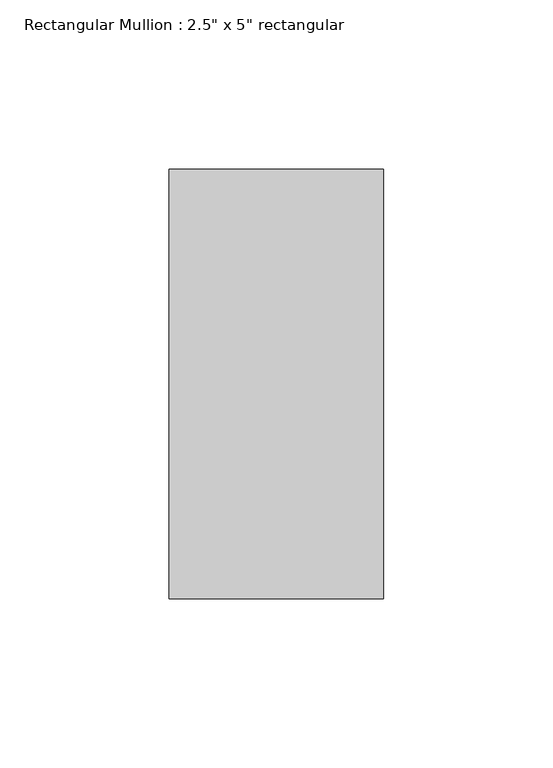
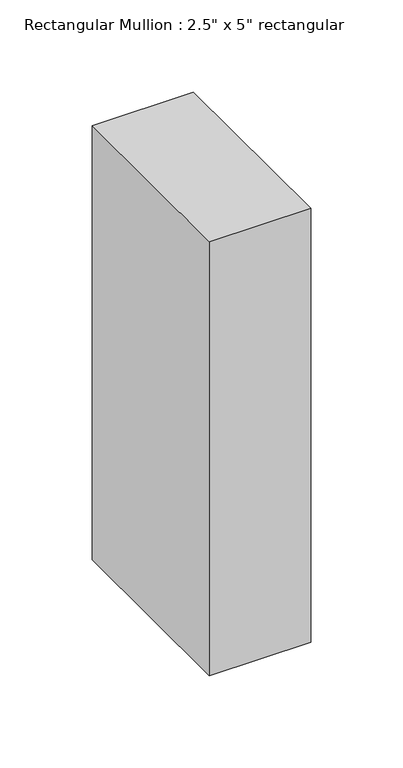
"""IFC4 building model written with IfcOpenShell, lengths in millimetres: member geometry."""

from ifc_helpers import new_model, si_unit, frame, origin, place, context, project, spatial, polyline, outline, extrude, source, transform, mapped, element, save


def member_fa3b035b(model_context):
    return source(origin(), model_context, "Body", "SweptSolid", [
        extrude(outline(polyline([(31.75, 63.5), (31.75, -63.5), (-31.75, -63.5), (-31.75, 63.5), (31.75, 63.5)])), frame((0.0, 0.0, -287.4301113), z_axis=(0.0, 0.0, 1.0), x_axis=(1.0, 0.0, 0.0)), (0.0, 0.0, 1.0), 287.4301113),
    ])


if __name__ == "__main__":
    model = new_model("IFC4")
    model_context = context("Model", 3, world=origin())
    ifc_project = project(units=[si_unit("LENGTHUNIT", "METRE", prefix="MILLI")], contexts=[model_context])
    site = spatial("IfcSite", under=ifc_project)
    building = spatial("IfcBuilding", under=site)
    placement = place(None, origin())
    member_shape = member_fa3b035b(model_context)
    element("IfcMember", 1, ObjectType="Rectangular Mullion : 2.5\" x 5\" rectangular", at=placement, inside=building, context=model_context, shape_type="MappedRepresentation", body=[
        mapped(member_shape, transform((0.0, 0.0, 0.0), x_axis=(1.0, 0.0, 0.0), y_axis=(0.0, 1.0, 0.0), z_axis=(0.0, 0.0, 1.0))),
    ])
    save(model, "model.ifc")
